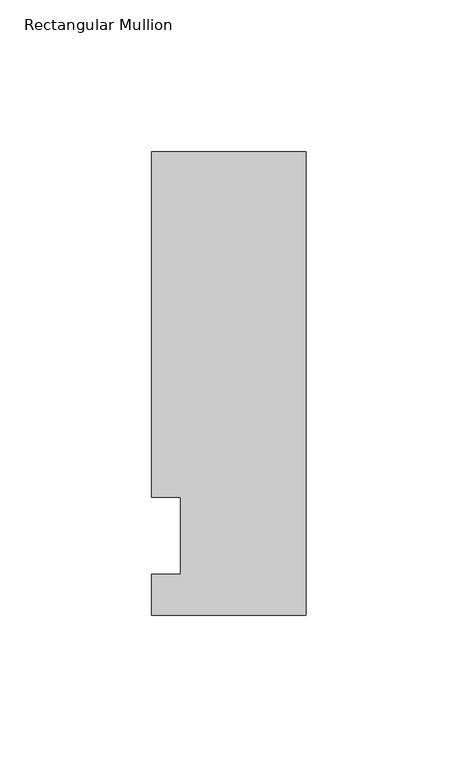
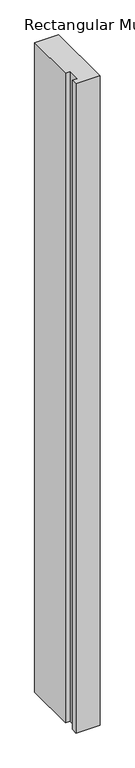
"""IFC4 building model written with IfcOpenShell, lengths in millimetres: member geometry, Rectangular Mullion."""

from ifc_helpers import new_model, si_unit, frame, origin, place, context, project, spatial, polyline, outline, extrude, source, transform, mapped, element, save


def rectangular_mullion_6dfab705(model_context):
    return source(origin(), model_context, "Body", "SweptSolid", [
        extrude(outline(polyline([(0.0, -26.19375), (-50.8, -26.19375), (-50.8, -12.7), (-41.275, -12.7), (-41.275, 12.7), (-50.8, 12.7), (-50.8, 126.20625), (0.0, 126.20625), (0.0, -26.19375)])), frame((0.0, 0.0, -1460.5), z_axis=(0.0, 0.0, 1.0), x_axis=(1.0, 0.0, 0.0)), (0.0, 0.0, 1.0), 1460.5),
    ])


if __name__ == "__main__":
    model = new_model("IFC4")
    model_context = context("Model", 3, world=origin())
    ifc_project = project(units=[si_unit("LENGTHUNIT", "METRE", prefix="MILLI")], contexts=[model_context])
    site = spatial("IfcSite", under=ifc_project)
    building = spatial("IfcBuilding", under=site)
    placement = place(None, origin())
    rectangular_mullion_shape = rectangular_mullion_6dfab705(model_context)
    element("IfcMember", 1, ObjectType="Rectangular Mullion", at=placement, inside=building, context=model_context, shape_type="MappedRepresentation", body=[
        mapped(rectangular_mullion_shape, transform((0.0, 0.0, 0.0), x_axis=(1.0, 0.0, 0.0), y_axis=(0.0, 1.0, 0.0), z_axis=(0.0, 0.0, 1.0))),
    ])
    save(model, "model.ifc")
